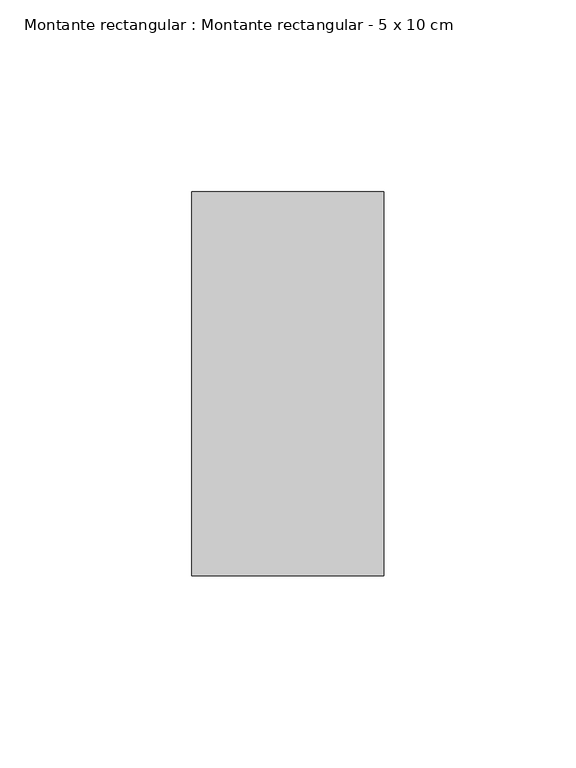
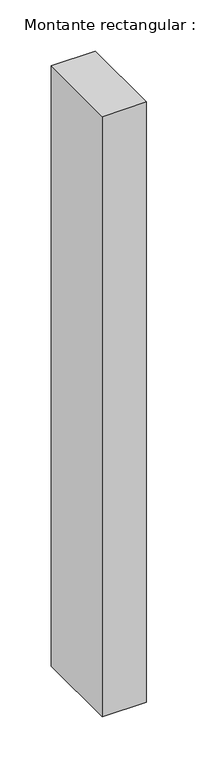
"""IFC4 building model written with IfcOpenShell, lengths in millimetres: member geometry, Montante rectangular : Montante rectangular - 5 x 10 cm."""

import ifcopenshell
import ifcopenshell.guid

model = None  # the IFC model being written
_history = None  # IfcOwnerHistory: only IFC2X3 demands one
_inside = {}  # id of a spatial element -> (the spatial element, [elements in it])
_under = {}  # id of a project, library or spatial element -> (it, [spatial elements below it])
_declared = {}  # id of a project -> (the project, [libraries it declares])
_typed = {}  # id of a type object -> (the type object, [elements of that type])
_made_of = {}  # id of a material, layer set ... -> (it, [elements and type objects made of it])


def new_model(schema):
    """Start an empty IFC model of exactly this schema.

    Asked for "IFC4X3", IfcOpenShell would pick the latest addendum, in which some entities
    have other attributes; the version numbers below select the first issue.
    IFC2X3 requires an IfcOwnerHistory on every rooted entity: one is made here for all.
    """
    global model, _history
    if schema == "IFC4X3":
        model = ifcopenshell.file(schema_version=(4, 3, 0, 0))
    else:
        model = ifcopenshell.file(schema=schema)
    _inside.clear()
    _under.clear()
    _declared.clear()
    _typed.clear()
    _made_of.clear()
    _history = None
    if model.schema == "IFC2X3":
        org = make("IfcOrganization", Name="unknown")
        user = make(
            "IfcPersonAndOrganization",
            ThePerson=make("IfcPerson", FamilyName="unknown"),
            TheOrganization=org,
        )
        app = make(
            "IfcApplication",
            ApplicationDeveloper=org,
            Version="unknown",
            ApplicationFullName="unknown",
            ApplicationIdentifier="unknown",
        )
        _history = make(
            "IfcOwnerHistory",
            OwningUser=user,
            OwningApplication=app,
            ChangeAction="ADDED",
            CreationDate=0,
        )
    return model


def make(cls, **values):
    """One entity of the class cls with the attributes given. An attribute that is None is left unset."""
    return model.create_entity(
        cls, **{name: value for name, value in values.items() if value is not None}
    )


def rooted(cls, **values):
    """An entity with a GlobalId (a new one), such as an element, a storey or a relation."""
    return make(cls, GlobalId=ifcopenshell.guid.new(), OwnerHistory=_history, **values)


def si_unit(unit_type, name, prefix=None):
    """IfcSIUnit, for example si_unit("LENGTHUNIT", "METRE", prefix="MILLI")."""
    return make("IfcSIUnit", UnitType=unit_type, Prefix=prefix, Name=name)


def assignment(units):
    """IfcUnitAssignment: the units of a project."""
    return None if units is None else make("IfcUnitAssignment", Units=units)


def point(xyz):
    """IfcCartesianPoint."""
    return None if xyz is None else make("IfcCartesianPoint", Coordinates=xyz)


def direction(xyz):
    """IfcDirection."""
    return None if xyz is None else make("IfcDirection", DirectionRatios=xyz)


def frame(location, z_axis=None, x_axis=None):
    """IfcAxis2Placement3D, a coordinate frame: its origin and axes. An axis left out is left unset."""
    return make(
        "IfcAxis2Placement3D",
        Location=point(location),
        Axis=direction(z_axis),
        RefDirection=direction(x_axis),
    )


def origin():
    """The frame at (0, 0, 0) with its axes left unset."""
    return frame((0.0, 0.0, 0.0))


def place(relative_to, where):
    """IfcLocalPlacement: puts the frame where relative to a parent placement (None: the world)."""
    return make(
        "IfcLocalPlacement", PlacementRelTo=relative_to, RelativePlacement=where
    )


def context(
    kind, dimensions, precision=None, world=None, true_north=None, identifier=None
):
    """IfcGeometricRepresentationContext, for example the 3D "Model" context."""
    return make(
        "IfcGeometricRepresentationContext",
        ContextIdentifier=identifier,
        ContextType=kind,
        CoordinateSpaceDimension=dimensions,
        Precision=precision,
        WorldCoordinateSystem=world,
        TrueNorth=true_north,
    )


def project(units=None, contexts=None):
    """IfcProject with its units and contexts."""
    return rooted(
        "IfcProject",
        Name="project",
        RepresentationContexts=contexts,
        UnitsInContext=assignment(units),
    )


def spatial(cls, under=None, at=None, **own):
    """A site, building, storey or space (cls), placed at a placement, below another one or the project."""
    s = rooted(cls, ObjectPlacement=at, **own)
    if under is not None:
        _under.setdefault(under.id(), (under, []))[1].append(s)
    return s


def polyline(points):
    """IfcPolyline through the points."""
    return make("IfcPolyline", Points=[point(p) for p in points])


def outline(outer, holes=None, kind="AREA"):
    """IfcArbitraryClosedProfileDef: a profile drawn as a closed curve; with holes, ...WithVoids."""
    if holes is None:
        return make("IfcArbitraryClosedProfileDef", ProfileType=kind, OuterCurve=outer)
    return make(
        "IfcArbitraryProfileDefWithVoids",
        ProfileType=kind,
        OuterCurve=outer,
        InnerCurves=holes,
    )


def extrude(swept, where, along, depth):
    """IfcExtrudedAreaSolid: the profile swept, set in the frame where, extruded along a direction by depth."""
    return make(
        "IfcExtrudedAreaSolid",
        SweptArea=swept,
        Position=where,
        ExtrudedDirection=direction(along),
        Depth=depth,
    )


def shape(context_of_items, identifier, shape_type, items):
    """IfcShapeRepresentation: the items that make up one representation, for example the "Body"."""
    return make(
        "IfcShapeRepresentation",
        ContextOfItems=context_of_items,
        RepresentationIdentifier=identifier,
        RepresentationType=shape_type,
        Items=items,
    )


def source(mapping_origin, context_of_items, identifier, shape_type, items):
    """IfcRepresentationMap: a shape defined once, which mapped items show again and again."""
    return make(
        "IfcRepresentationMap",
        MappingOrigin=mapping_origin,
        MappedRepresentation=shape(context_of_items, identifier, shape_type, items),
    )


def transform(
    local_origin,
    x_axis=None,
    y_axis=None,
    z_axis=None,
    scale=None,
    scale2=None,
    scale3=None,
    uniform=True,
):
    """IfcCartesianTransformationOperator3D, or its non-uniform kind. x_axis, y_axis, z_axis: its Axis1, 2, 3."""
    if uniform:
        return make(
            "IfcCartesianTransformationOperator3D",
            Axis1=direction(x_axis),
            Axis2=direction(y_axis),
            LocalOrigin=point(local_origin),
            Scale=scale,
            Axis3=direction(z_axis),
        )
    return make(
        "IfcCartesianTransformationOperator3DnonUniform",
        Axis1=direction(x_axis),
        Axis2=direction(y_axis),
        LocalOrigin=point(local_origin),
        Scale=scale,
        Axis3=direction(z_axis),
        Scale2=scale2,
        Scale3=scale3,
    )


def mapped(mapping_source, mapping_target):
    """IfcMappedItem: shows the shape of a source again, moved by a transform."""
    return make(
        "IfcMappedItem", MappingSource=mapping_source, MappingTarget=mapping_target
    )


def made_of(thing, what):
    """Note that an element or type object is made of a material, layer set ...; save() writes the relation."""
    if what is not None:
        _made_of.setdefault(what.id(), (what, []))[1].append(thing)
    return thing


def element(
    cls,
    number,
    at=None,
    inside=None,
    cuts=None,
    type_object=None,
    material=None,
    context=None,
    identifier="Body",
    shape_type=None,
    held_by="IfcProductDefinitionShape",
    body=None,
    shapes=None,
    **own,
):
    """One element of the class cls, such as IfcWall. Its Tag is "e" and its number.

    at: its placement. inside: the storey or other place that contains it. cuts: it is an
    opening in that element (IfcRelVoidsElement). A single representation is given by context,
    identifier, shape_type and body (its items); several are given by shapes. held_by: the class
    of the entity that holds the representations. save() writes the other relations.
    """
    e = rooted(cls, Tag="e%d" % number, ObjectPlacement=at, **own)
    if body is not None:
        shapes = [shape(context, identifier, shape_type, body)]
    if shapes is not None:
        e.Representation = make(held_by, Representations=shapes)
    if inside is not None:
        _inside.setdefault(inside.id(), (inside, []))[1].append(e)
    if cuts is not None:
        rooted(
            "IfcRelVoidsElement", RelatingBuildingElement=cuts, RelatedOpeningElement=e
        )
    if type_object is not None:
        _typed.setdefault(type_object.id(), (type_object, []))[1].append(e)
    return made_of(e, material)


def aggregate(whole, parts):
    """IfcRelAggregates: a whole, such as a stair, and the parts it consists of."""
    return rooted("IfcRelAggregates", RelatingObject=whole, RelatedObjects=parts)


def save(model, path):
    """Write the relations noted so far, then the file.

    IfcRelAggregates (storeys below a building ...), IfcRelContainedInSpatialStructure (elements
    in a storey), IfcRelDefinesByType, IfcRelAssociatesMaterial and IfcRelDeclares: one each for
    every whole, place, type object, material and project.
    """
    for whole, parts in _under.values():
        aggregate(whole, parts)
    for where, things in _inside.values():
        rooted(
            "IfcRelContainedInSpatialStructure",
            RelatedElements=things,
            RelatingStructure=where,
        )
    for kind, things in _typed.values():
        rooted("IfcRelDefinesByType", RelatedObjects=things, RelatingType=kind)
    for what, things in _made_of.values():
        rooted("IfcRelAssociatesMaterial", RelatedObjects=things, RelatingMaterial=what)
    for by, libraries in _declared.values():
        rooted("IfcRelDeclares", RelatingContext=by, RelatedDefinitions=libraries)
    model.write(path)


def montante_rectangular_montante_rectangular_5_x_10_cm_c5f10a01(model_context):
    return source(origin(), model_context, "Body", "SweptSolid", [
        extrude(outline(polyline([(25.0, 50.0), (25.0, -50.0), (-25.0, -50.0), (-25.0, 50.0), (25.0, 50.0)])), frame((0.0, 0.0, -717.1037779), z_axis=(0.0, 0.0, 1.0), x_axis=(1.0, 0.0, 0.0)), (0.0, 0.0, 1.0), 717.1037779),
    ])


if __name__ == "__main__":
    model = new_model("IFC4")
    model_context = context("Model", 3, world=origin())
    ifc_project = project(units=[si_unit("LENGTHUNIT", "METRE", prefix="MILLI")], contexts=[model_context])
    site = spatial("IfcSite", under=ifc_project)
    building = spatial("IfcBuilding", under=site)
    placement = place(None, origin())
    montante_rectangular_montante_rectangular_5_x_10_cm_shape = montante_rectangular_montante_rectangular_5_x_10_cm_c5f10a01(model_context)
    element("IfcMember", 1, ObjectType="Montante rectangular : Montante rectangular - 5 x 10 cm", at=placement, inside=building, context=model_context, shape_type="MappedRepresentation", body=[
        mapped(montante_rectangular_montante_rectangular_5_x_10_cm_shape, transform((0.0, 0.0, 0.0), x_axis=(1.0, 0.0, 0.0), y_axis=(0.0, 1.0, 0.0), z_axis=(0.0, 0.0, 1.0))),
    ])
    save(model, "model.ifc")
